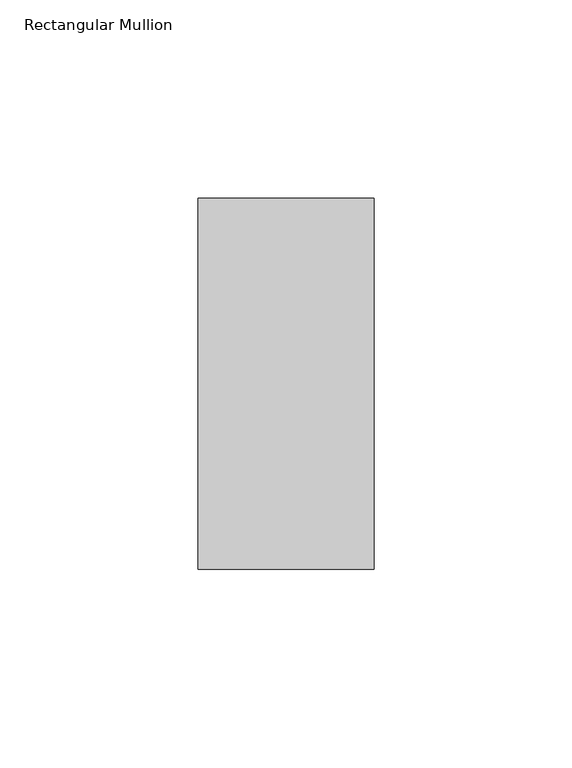
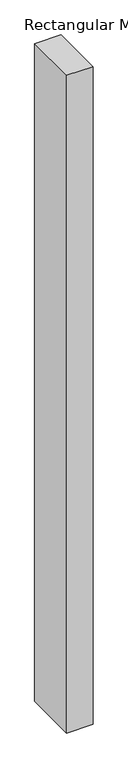
"""IFC4 building model written with IfcOpenShell, lengths in millimetres: member geometry, Rectangular Mullion."""

from ifc_helpers import new_model, si_unit, frame, origin, place, context, project, spatial, polyline, outline, extrude, source, transform, mapped, element, save


def rectangular_mullion_297072f5(model_context):
    return source(origin(), model_context, "Body", "SweptSolid", [
        extrude(outline(polyline([(-44.4247897, 48.4274954), (0.0, 48.4274954), (0.0, -45.2496682), (-44.4247897, -45.2496682), (-44.4247897, 48.4274954)])), frame((0.0, 0.0, -1174.7752103), z_axis=(0.0, 0.0, 1.0), x_axis=(1.0, 0.0, 0.0)), (0.0, 0.0, 1.0), 1174.7752103),
    ])


if __name__ == "__main__":
    model = new_model("IFC4")
    model_context = context("Model", 3, world=origin())
    ifc_project = project(units=[si_unit("LENGTHUNIT", "METRE", prefix="MILLI")], contexts=[model_context])
    site = spatial("IfcSite", under=ifc_project)
    building = spatial("IfcBuilding", under=site)
    placement = place(None, origin())
    rectangular_mullion_shape = rectangular_mullion_297072f5(model_context)
    element("IfcMember", 1, ObjectType="Rectangular Mullion", at=placement, inside=building, context=model_context, shape_type="MappedRepresentation", body=[
        mapped(rectangular_mullion_shape, transform((0.0, 0.0, 0.0), x_axis=(1.0, 0.0, 0.0), y_axis=(0.0, 1.0, 0.0), z_axis=(0.0, 0.0, 1.0))),
    ])
    save(model, "model.ifc")
